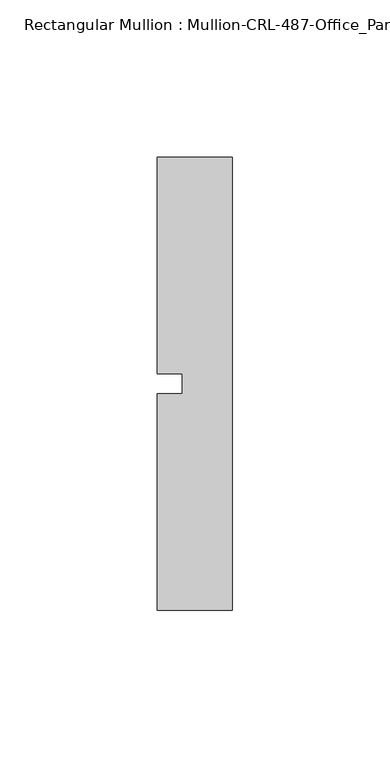
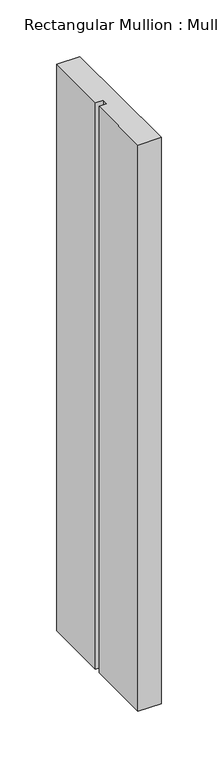
"""IFC4 building model written with IfcOpenShell, lengths in millimetres: member geometry, Rectangular Mullion : Mullion-CRL-487-Office_Partition-Head."""

from ifc_helpers import new_model, si_unit, frame, origin, place, context, project, spatial, polyline, outline, extrude, source, transform, mapped, element, save


def rectangular_mullion_mullion_crl_487_office_partition_head_aca69072(model_context):
    return source(origin(), model_context, "Body", "SweptSolid", [
        extrude(outline(polyline([(-23.7998, -71.9452143), (-23.7998, -3.175), (-15.8623, -3.175), (-15.8623, 3.175), (-23.7998, 3.175), (-23.7998, 71.9452142), (0.0, 71.9452142), (0.0, -71.9452143), (-23.7998, -71.9452143)])), frame((0.0, 0.0, -611.1875), z_axis=(0.0, 0.0, 1.0), x_axis=(1.0, 0.0, 0.0)), (0.0, 0.0, 1.0), 611.1875),
    ])


if __name__ == "__main__":
    model = new_model("IFC4")
    model_context = context("Model", 3, world=origin())
    ifc_project = project(units=[si_unit("LENGTHUNIT", "METRE", prefix="MILLI")], contexts=[model_context])
    site = spatial("IfcSite", under=ifc_project)
    building = spatial("IfcBuilding", under=site)
    placement = place(None, origin())
    rectangular_mullion_mullion_crl_487_office_partition_head_shape = rectangular_mullion_mullion_crl_487_office_partition_head_aca69072(model_context)
    element("IfcMember", 1, ObjectType="Rectangular Mullion : Mullion-CRL-487-Office_Partition-Head", at=placement, inside=building, context=model_context, shape_type="MappedRepresentation", body=[
        mapped(rectangular_mullion_mullion_crl_487_office_partition_head_shape, transform((0.0, 0.0, 0.0), x_axis=(1.0, 0.0, 0.0), y_axis=(0.0, 1.0, 0.0), z_axis=(0.0, 0.0, 1.0))),
    ])
    save(model, "model.ifc")
